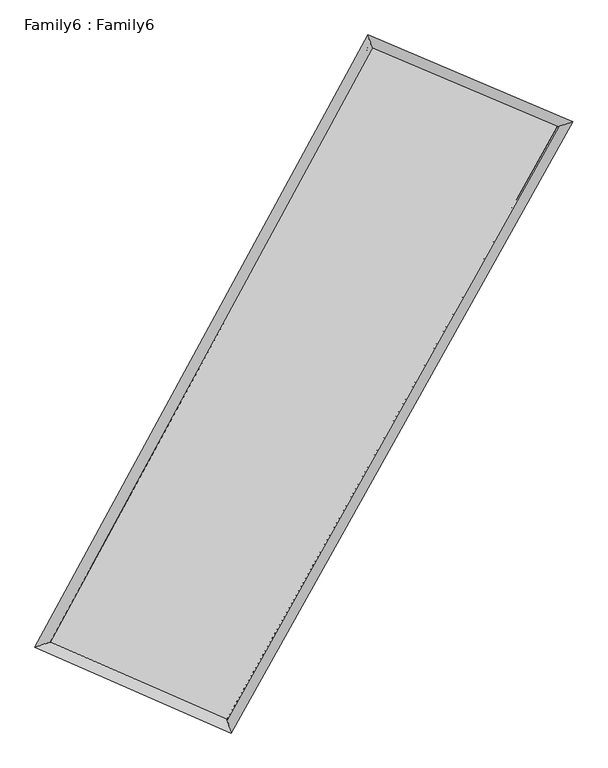
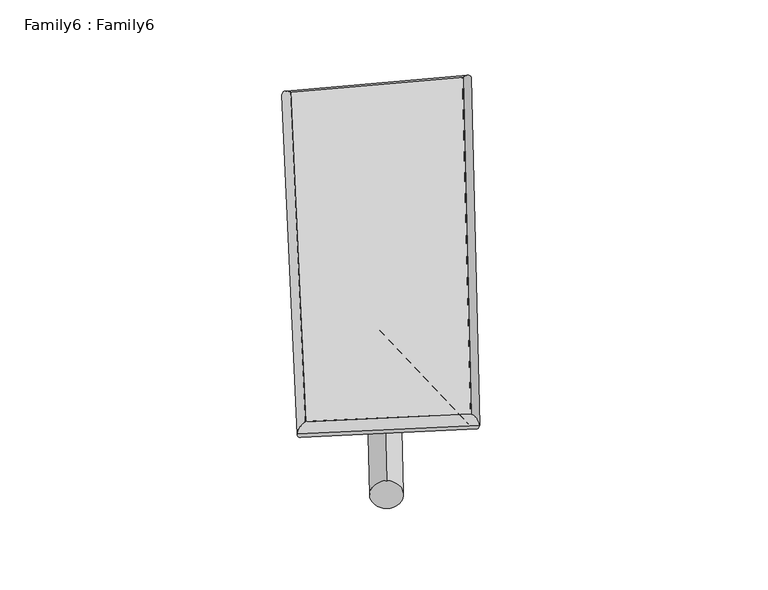
"""IFC4 building model written with IfcOpenShell, lengths in millimetres: plate geometry, Family6 : Family6."""

import ifcopenshell
import ifcopenshell.guid

model = None  # the IFC model being written
_history = None  # IfcOwnerHistory: only IFC2X3 demands one
_inside = {}  # id of a spatial element -> (the spatial element, [elements in it])
_under = {}  # id of a project, library or spatial element -> (it, [spatial elements below it])
_declared = {}  # id of a project -> (the project, [libraries it declares])
_typed = {}  # id of a type object -> (the type object, [elements of that type])
_made_of = {}  # id of a material, layer set ... -> (it, [elements and type objects made of it])


def new_model(schema):
    """Start an empty IFC model of exactly this schema.

    Asked for "IFC4X3", IfcOpenShell would pick the latest addendum, in which some entities
    have other attributes; the version numbers below select the first issue.
    IFC2X3 requires an IfcOwnerHistory on every rooted entity: one is made here for all.
    """
    global model, _history
    if schema == "IFC4X3":
        model = ifcopenshell.file(schema_version=(4, 3, 0, 0))
    else:
        model = ifcopenshell.file(schema=schema)
    _inside.clear()
    _under.clear()
    _declared.clear()
    _typed.clear()
    _made_of.clear()
    _history = None
    if model.schema == "IFC2X3":
        org = make("IfcOrganization", Name="unknown")
        user = make(
            "IfcPersonAndOrganization",
            ThePerson=make("IfcPerson", FamilyName="unknown"),
            TheOrganization=org,
        )
        app = make(
            "IfcApplication",
            ApplicationDeveloper=org,
            Version="unknown",
            ApplicationFullName="unknown",
            ApplicationIdentifier="unknown",
        )
        _history = make(
            "IfcOwnerHistory",
            OwningUser=user,
            OwningApplication=app,
            ChangeAction="ADDED",
            CreationDate=0,
        )
    return model


def make(cls, **values):
    """One entity of the class cls with the attributes given. An attribute that is None is left unset."""
    return model.create_entity(
        cls, **{name: value for name, value in values.items() if value is not None}
    )


def rooted(cls, **values):
    """An entity with a GlobalId (a new one), such as an element, a storey or a relation."""
    return make(cls, GlobalId=ifcopenshell.guid.new(), OwnerHistory=_history, **values)


def si_unit(unit_type, name, prefix=None):
    """IfcSIUnit, for example si_unit("LENGTHUNIT", "METRE", prefix="MILLI")."""
    return make("IfcSIUnit", UnitType=unit_type, Prefix=prefix, Name=name)


def assignment(units):
    """IfcUnitAssignment: the units of a project."""
    return None if units is None else make("IfcUnitAssignment", Units=units)


def point(xyz):
    """IfcCartesianPoint."""
    return None if xyz is None else make("IfcCartesianPoint", Coordinates=xyz)


def direction(xyz):
    """IfcDirection."""
    return None if xyz is None else make("IfcDirection", DirectionRatios=xyz)


def frame(location, z_axis=None, x_axis=None):
    """IfcAxis2Placement3D, a coordinate frame: its origin and axes. An axis left out is left unset."""
    return make(
        "IfcAxis2Placement3D",
        Location=point(location),
        Axis=direction(z_axis),
        RefDirection=direction(x_axis),
    )


def frame_2d(location, x_axis=None):
    """IfcAxis2Placement2D, a coordinate frame in the plane: its origin and x axis."""
    return make(
        "IfcAxis2Placement2D", Location=point(location), RefDirection=direction(x_axis)
    )


def origin():
    """The frame at (0, 0, 0) with its axes left unset."""
    return frame((0.0, 0.0, 0.0))


def origin_2d():
    """The frame at (0, 0) in the plane with its x axis left unset."""
    return frame_2d((0.0, 0.0))


def place(relative_to, where):
    """IfcLocalPlacement: puts the frame where relative to a parent placement (None: the world)."""
    return make(
        "IfcLocalPlacement", PlacementRelTo=relative_to, RelativePlacement=where
    )


def context(
    kind, dimensions, precision=None, world=None, true_north=None, identifier=None
):
    """IfcGeometricRepresentationContext, for example the 3D "Model" context."""
    return make(
        "IfcGeometricRepresentationContext",
        ContextIdentifier=identifier,
        ContextType=kind,
        CoordinateSpaceDimension=dimensions,
        Precision=precision,
        WorldCoordinateSystem=world,
        TrueNorth=true_north,
    )


def project(units=None, contexts=None):
    """IfcProject with its units and contexts."""
    return rooted(
        "IfcProject",
        Name="project",
        RepresentationContexts=contexts,
        UnitsInContext=assignment(units),
    )


def spatial(cls, under=None, at=None, **own):
    """A site, building, storey or space (cls), placed at a placement, below another one or the project."""
    s = rooted(cls, ObjectPlacement=at, **own)
    if under is not None:
        _under.setdefault(under.id(), (under, []))[1].append(s)
    return s


def circle_curve(where, radius):
    """IfcCircle in the frame where."""
    return make("IfcCircle", Position=where, Radius=radius)


def ellipse_curve(where, semi_axis1, semi_axis2):
    """IfcEllipse in the frame where."""
    return make(
        "IfcEllipse", Position=where, SemiAxis1=semi_axis1, SemiAxis2=semi_axis2
    )


def trimmed(basis, trim1, trim2, sense, master):
    """IfcTrimmedCurve: the piece of a basis curve between two trims."""
    return make(
        "IfcTrimmedCurve",
        BasisCurve=basis,
        Trim1=trim1,
        Trim2=trim2,
        SenseAgreement=sense,
        MasterRepresentation=master,
    )


def segment(curve, same_sense, transition):
    """IfcCompositeCurveSegment."""
    return make(
        "IfcCompositeCurveSegment",
        Transition=transition,
        SameSense=same_sense,
        ParentCurve=curve,
    )


def composite_curve(segments, self_intersect=None):
    """IfcCompositeCurve: segments joined end to end."""
    return make("IfcCompositeCurve", Segments=segments, SelfIntersect=self_intersect)


def outline(outer, holes=None, kind="AREA"):
    """IfcArbitraryClosedProfileDef: a profile drawn as a closed curve; with holes, ...WithVoids."""
    if holes is None:
        return make("IfcArbitraryClosedProfileDef", ProfileType=kind, OuterCurve=outer)
    return make(
        "IfcArbitraryProfileDefWithVoids",
        ProfileType=kind,
        OuterCurve=outer,
        InnerCurves=holes,
    )


def extrude(swept, where, along, depth):
    """IfcExtrudedAreaSolid: the profile swept, set in the frame where, extruded along a direction by depth."""
    return make(
        "IfcExtrudedAreaSolid",
        SweptArea=swept,
        Position=where,
        ExtrudedDirection=direction(along),
        Depth=depth,
    )


def shape(context_of_items, identifier, shape_type, items):
    """IfcShapeRepresentation: the items that make up one representation, for example the "Body"."""
    return make(
        "IfcShapeRepresentation",
        ContextOfItems=context_of_items,
        RepresentationIdentifier=identifier,
        RepresentationType=shape_type,
        Items=items,
    )


def source(mapping_origin, context_of_items, identifier, shape_type, items):
    """IfcRepresentationMap: a shape defined once, which mapped items show again and again."""
    return make(
        "IfcRepresentationMap",
        MappingOrigin=mapping_origin,
        MappedRepresentation=shape(context_of_items, identifier, shape_type, items),
    )


def transform(
    local_origin,
    x_axis=None,
    y_axis=None,
    z_axis=None,
    scale=None,
    scale2=None,
    scale3=None,
    uniform=True,
):
    """IfcCartesianTransformationOperator3D, or its non-uniform kind. x_axis, y_axis, z_axis: its Axis1, 2, 3."""
    if uniform:
        return make(
            "IfcCartesianTransformationOperator3D",
            Axis1=direction(x_axis),
            Axis2=direction(y_axis),
            LocalOrigin=point(local_origin),
            Scale=scale,
            Axis3=direction(z_axis),
        )
    return make(
        "IfcCartesianTransformationOperator3DnonUniform",
        Axis1=direction(x_axis),
        Axis2=direction(y_axis),
        LocalOrigin=point(local_origin),
        Scale=scale,
        Axis3=direction(z_axis),
        Scale2=scale2,
        Scale3=scale3,
    )


def mapped(mapping_source, mapping_target):
    """IfcMappedItem: shows the shape of a source again, moved by a transform."""
    return make(
        "IfcMappedItem", MappingSource=mapping_source, MappingTarget=mapping_target
    )


def made_of(thing, what):
    """Note that an element or type object is made of a material, layer set ...; save() writes the relation."""
    if what is not None:
        _made_of.setdefault(what.id(), (what, []))[1].append(thing)
    return thing


def element(
    cls,
    number,
    at=None,
    inside=None,
    cuts=None,
    type_object=None,
    material=None,
    context=None,
    identifier="Body",
    shape_type=None,
    held_by="IfcProductDefinitionShape",
    body=None,
    shapes=None,
    **own,
):
    """One element of the class cls, such as IfcWall. Its Tag is "e" and its number.

    at: its placement. inside: the storey or other place that contains it. cuts: it is an
    opening in that element (IfcRelVoidsElement). A single representation is given by context,
    identifier, shape_type and body (its items); several are given by shapes. held_by: the class
    of the entity that holds the representations. save() writes the other relations.
    """
    e = rooted(cls, Tag="e%d" % number, ObjectPlacement=at, **own)
    if body is not None:
        shapes = [shape(context, identifier, shape_type, body)]
    if shapes is not None:
        e.Representation = make(held_by, Representations=shapes)
    if inside is not None:
        _inside.setdefault(inside.id(), (inside, []))[1].append(e)
    if cuts is not None:
        rooted(
            "IfcRelVoidsElement", RelatingBuildingElement=cuts, RelatedOpeningElement=e
        )
    if type_object is not None:
        _typed.setdefault(type_object.id(), (type_object, []))[1].append(e)
    return made_of(e, material)


def aggregate(whole, parts):
    """IfcRelAggregates: a whole, such as a stair, and the parts it consists of."""
    return rooted("IfcRelAggregates", RelatingObject=whole, RelatedObjects=parts)


def save(model, path):
    """Write the relations noted so far, then the file.

    IfcRelAggregates (storeys below a building ...), IfcRelContainedInSpatialStructure (elements
    in a storey), IfcRelDefinesByType, IfcRelAssociatesMaterial and IfcRelDeclares: one each for
    every whole, place, type object, material and project.
    """
    for whole, parts in _under.values():
        aggregate(whole, parts)
    for where, things in _inside.values():
        rooted(
            "IfcRelContainedInSpatialStructure",
            RelatedElements=things,
            RelatingStructure=where,
        )
    for kind, things in _typed.values():
        rooted("IfcRelDefinesByType", RelatedObjects=things, RelatingType=kind)
    for what, things in _made_of.values():
        rooted("IfcRelAssociatesMaterial", RelatedObjects=things, RelatingMaterial=what)
    for by, libraries in _declared.values():
        rooted("IfcRelDeclares", RelatingContext=by, RelatedDefinitions=libraries)
    model.write(path)


def plane_surface(at):
    """IfcPlane: the flat surface through the origin of the frame at, square to its z axis."""
    return make("IfcPlane", Position=at)


def cylinder_surface(at, radius):
    """IfcCylindricalSurface: all points at the distance radius from the z axis of the frame at."""
    return make("IfcCylindricalSurface", Position=at, Radius=radius)


def spline_surface(u_degree, v_degree, points, u_multiplicities, v_multiplicities, u_knots, v_knots, weights=None):
    """IfcBSplineSurfaceWithKnots; with weights, IfcRationalBSplineSurfaceWithKnots. points: one row for each step in u."""
    own = dict(
        UDegree=u_degree,
        VDegree=v_degree,
        ControlPointsList=[[point(p) for p in row] for row in points],
        SurfaceForm="UNSPECIFIED",
        UClosed=False,
        VClosed=False,
        SelfIntersect=False,
        UMultiplicities=u_multiplicities,
        VMultiplicities=v_multiplicities,
        UKnots=u_knots,
        VKnots=v_knots,
        KnotSpec="UNSPECIFIED",
    )
    if weights is None:
        return make("IfcBSplineSurfaceWithKnots", **own)
    return make("IfcRationalBSplineSurfaceWithKnots", WeightsData=weights, **own)


def advanced_brep(points, edges, surfaces, faces):
    """IfcAdvancedBrep: a solid bounded by faces that lie on surfaces and meet in shared edges.

    An edge is (start, end): straight between two places in points (the first is 0);
    or (start, end, curve); or (start, end, curve, False) where it runs against its curve.
    A face is (place in surfaces, loops), or (place, loops, False) where it looks against
    its surface's normal. A loop lists edges by number (the first is 1), with a minus sign
    where the edge is run from its end to its start. The first loop is the outer one.
    """
    corners = [point(p) for p in points]
    vertices = [make("IfcVertexPoint", VertexGeometry=c) for c in corners]
    made = []
    for start, end, *more in edges:
        made.append(
            make(
                "IfcEdgeCurve",
                EdgeStart=vertices[start],
                EdgeEnd=vertices[end],
                EdgeGeometry=more[0] if more else make("IfcPolyline", Points=[corners[start], corners[end]]),
                SameSense=more[1] if len(more) > 1 else True,
            )
        )
    hull = []
    for where, loops, *sense in faces:
        bounds = []
        for j, loop in enumerate(loops):
            ring = [make("IfcOrientedEdge", EdgeElement=made[abs(k) - 1], Orientation=k > 0) for k in loop]
            bounds.append(
                make(
                    "IfcFaceOuterBound" if j == 0 else "IfcFaceBound",
                    Bound=make("IfcEdgeLoop", EdgeList=ring),
                    Orientation=True,
                )
            )
        hull.append(make("IfcAdvancedFace", Bounds=bounds, FaceSurface=surfaces[where], SameSense=sense[0] if sense else True))
    return make("IfcAdvancedBrep", Outer=make("IfcClosedShell", CfsFaces=hull))


def family6_family6_35463aef(model_context):
    return source(origin(), model_context, "Body", "SolidModel", [
        extrude(outline(composite_curve([segment(trimmed(circle_curve(origin_2d(), 76.2), [point((-75.4341514, -10.7763073))], [point((75.4341514, 10.7763073))], False, "CARTESIAN"), True, "CONTINUOUS"), segment(trimmed(circle_curve(origin_2d(), 76.2), [point((75.4341514, 10.7763073))], [point((-75.4341514, -10.7763073))], False, "CARTESIAN"), True, "CONTINUOUS")], self_intersect=False)), frame((9144.0, 9144.0, 0.0), z_axis=(0.6813209860275675, 0.6818787008985358, 0.2661637677433735), x_axis=(-0.6736456853963163, 0.72635142711245, -0.13643714625656192)), (0.0, 0.0, 1.0), 5834.4123145),
        extrude(outline(composite_curve([segment(trimmed(circle_curve(origin_2d(), 76.2), [point((-53.8815367, 53.8815367))], [point((53.8815367, -53.8815367))], False, "CARTESIAN"), True, "CONTINUOUS"), segment(trimmed(circle_curve(origin_2d(), 76.2), [point((53.8815367, -53.8815367))], [point((-53.8815367, 53.8815367))], False, "CARTESIAN"), True, "CONTINUOUS")], self_intersect=False)), frame((9144.0, 9144.0, 0.0), z_axis=(-0.674424393715421, -0.6879433776756292, 0.26811498703696834), x_axis=(0.6387665694742795, -0.36151467985887514, 0.6791792149120846)), (0.0, 0.0, 1.0), 5795.1043367),
        extrude(outline(composite_curve([segment(trimmed(circle_curve(origin_2d(), 76.2), [point((-53.8815367, -53.8815368))], [point((53.8815367, 53.8815368))], False, "CARTESIAN"), True, "CONTINUOUS"), segment(trimmed(circle_curve(origin_2d(), 76.2), [point((53.8815367, 53.8815368))], [point((-53.8815367, -53.8815368))], False, "CARTESIAN"), True, "CONTINUOUS")], self_intersect=False)), frame((9144.0, 9144.0, 0.0), z_axis=(0.19760012295875948, 0.9421823794682773, 0.2706410080275686), x_axis=(-0.8518042161422569, 0.3016690429244882, -0.42828187669255724)), (0.0, 0.0, 1.0), 5518.48865),
        extrude(outline(composite_curve([segment(trimmed(circle_curve(origin_2d(), 76.2), [point((-75.4341515, 10.7763074))], [point((75.4341515, -10.7763074))], False, "CARTESIAN"), True, "CONTINUOUS"), segment(trimmed(circle_curve(origin_2d(), 76.2), [point((75.4341515, -10.7763074))], [point((-75.4341515, 10.7763074))], False, "CARTESIAN"), True, "CONTINUOUS")], self_intersect=False)), frame((9144.0, 9144.0, 0.0), z_axis=(-0.20859675161265895, -0.9399283900912945, 0.2702258624133419), x_axis=(0.8967179618814537, -0.07352881051487441, 0.4364520716681725)), (0.0, 0.0, 1.0), 5523.2858957),
        advanced_brep(
        [(5022.487447, 5084.3071813, 1550.4131544), (5022.4192364, 5084.1867072, 1558.9247035), (5448.7930954, 5230.285516, 1557.0954938), (10302.2324814, 14149.2630704, 1498.6219504), (10166.6755902, 14537.5824642, 1488.4367116), (5448.861306, 5230.4059901, 1548.5839447), (12903.1054023, 13048.324883, 1552.1602348), (13335.1096997, 13196.398096, 1553.6580936), (7926.2766575, 4147.4866583, 1493.556974), (8057.4443504, 3757.5269017, 1491.5124151)],
        [
            (0, 1, ellipse_curve(frame((5235.6402712, 5157.2963486, 1553.7543241), z_axis=(-0.32409224575388296, 0.9459639245045239, 0.010792116483995891), x_axis=(-0.9458086428107874, -0.32424111333204925, 0.017711905871744947)), 225.4697535, 152.4)),
            (1, 2, ellipse_curve(frame((5235.6402712, 5157.2963486, 1553.7543241), z_axis=(-0.32409224575388296, 0.9459639245045239, 0.010792116483995891), x_axis=(-0.9458086428107874, -0.32424111333204925, 0.017711905871744947)), 225.4697535, 152.4)),
            (2, 3),
            (3, 4, ellipse_curve(frame((10234.4540358, 14343.4227673, 1493.529331), z_axis=(-0.944016948030937, -0.3297767413643568, -0.008905205526054737), x_axis=(0.32957936195453597, -0.9439486605673916, 0.018394846742181985)), 205.7164281, 152.4)),
            (4, 0),
            (2, 5, ellipse_curve(frame((5235.6402712, 5157.2963486, 1553.7543241), z_axis=(-0.32409224575388296, 0.9459639245045239, 0.010792116483995891), x_axis=(-0.9458086428107874, -0.32424111333204925, 0.017711905871744947)), 225.4697535, 152.4)),
            (5, 0, ellipse_curve(frame((5235.6402712, 5157.2963486, 1553.7543241), z_axis=(-0.32409224575388296, 0.9459639245045239, 0.010792116483995891), x_axis=(-0.9458086428107874, -0.32424111333204925, 0.017711905871744947)), 225.4697535, 152.4)),
            (4, 3, ellipse_curve(frame((10234.4540358, 14343.4227673, 1493.529331), z_axis=(-0.944016948030937, -0.3297767413643568, -0.008905205526054737), x_axis=(0.32957936195453597, -0.9439486605673916, 0.018394846742181985)), 205.7164281, 152.4)),
            (3, 6),
            (6, 7, ellipse_curve(frame((13119.107551, 13122.3614895, 1552.9091642), z_axis=(-0.32419438537975426, 0.945938738884728, -0.009894582629595245), x_axis=(-0.9458017613123967, -0.32432089588942825, -0.016582665281754283)), 228.3646221, 152.4)),
            (7, 4),
            (7, 6, ellipse_curve(frame((13119.107551, 13122.3614895, 1552.9091642), z_axis=(-0.32419438537975426, 0.945938738884728, -0.009894582629595245), x_axis=(-0.9458017613123967, -0.32432089588942825, -0.016582665281754283)), 228.3646221, 152.4)),
            (6, 8),
            (8, 9, ellipse_curve(frame((7991.8605039, 3952.50678, 1492.5346945), z_axis=(0.9477569076817306, 0.3188412014225191, -0.009855567817644508), x_axis=(-0.3186151024313881, 0.9476851777642631, 0.01942216127399841)), 205.7345626, 152.4)),
            (9, 7),
            (9, 8, ellipse_curve(frame((7991.8605039, 3952.50678, 1492.5346945), z_axis=(0.9477569076817306, 0.3188412014225191, -0.009855567817644508), x_axis=(-0.3186151024313881, 0.9476851777642631, 0.01942216127399841)), 205.7345626, 152.4)),
            (8, 5),
            (1, 9),
        ],
        [
            cylinder_surface(frame((5235.6402712, 5157.2963486, 1553.7543241), z_axis=(-0.4779743368726878, -0.87835492382281, 0.005758566430960975), x_axis=(-0.8780978787515672, 0.47764961123784644, -0.02819510979464423)), 152.4),
            cylinder_surface(frame((10234.4540358, 14343.4227673, 1493.529331), z_axis=(-0.9207295410836603, 0.38974080734084926, -0.018952975206430193), x_axis=(0.39004281471038793, 0.9206536339449835, -0.01623234415279031)), 152.4),
            cylinder_surface(frame((13119.107551, 13122.3614895, 1552.9091642), z_axis=(0.4880248263457842, 0.8728108302797812, 0.005746600428612318), x_axis=(0.8728284633561989, -0.4880248263457842, -0.0014974730127084585)), 152.4),
            cylinder_surface(frame((7991.8605039, 3952.50678, 1492.5346945), z_axis=(0.9160965903344238, -0.40044101075244315, -0.02034782753034714), x_axis=(-0.40027735820726507, -0.9163188186082084, 0.0117413445171451)), 152.4),
        ],
        [
            (0, [[1, 2, 3, 4, 5]]),
            (0, [[6, 7, -5, 8, -3]]),
            (1, [[-4, 9, 10, 11]]),
            (1, [[-8, -11, 12, -9]]),
            (2, [[-10, 13, 14, 15]]),
            (2, [[-12, -15, 16, -13]]),
            (3, [[-14, 17, -6, -2, 18]]),
            (3, [[-16, -18, -1, -7, -17]]),
        ],
    ),
        extrude(outline(composite_curve([segment(trimmed(circle_curve(origin_2d(), 304.8), [point((0.0, 304.8))], [point((0.0, -304.8))], False, "CARTESIAN"), True, "CONTINUOUS"), segment(trimmed(circle_curve(origin_2d(), 304.8), [point((0.0, -304.8))], [point((0.0, 304.8))], False, "CARTESIAN"), True, "CONTINUOUS")], self_intersect=False)), frame((11710.1044182, 13737.6268189, -0.0529151), z_axis=(-0.48768777611954994, -0.8730181171788101, 1.0056501228191639e-05), x_axis=(-0.8730181172328049, 0.48768777611954994, -2.6184651790274667e-06)), (0.0, 0.0, 1.0), 10523.5543881),
        advanced_brep(
        [(5235.6402712, 5157.2963486, 1553.7543241), (7991.8605039, 3952.50678, 1492.5346945), (7991.8478008, 3952.5108291, 1644.9346939), (5235.6275681, 5157.3003977, 1706.1543235), (13119.107551, 13122.3614895, 1552.9091642), (13119.0948479, 13122.3655386, 1705.3091636), (10234.4540358, 14343.4227673, 1493.529331), (10234.4413326, 14343.4268163, 1645.9293304)],
        [
            (0, 1),
            (1, 2),
            (2, 3),
            (3, 0),
            (1, 4),
            (4, 5),
            (5, 2),
            (4, 6),
            (6, 7),
            (7, 5),
            (6, 0),
            (3, 7),
        ],
        [
            plane_surface(frame((6613.7503876, 4554.9015643, 1523.1445093), z_axis=(-0.40052410319762466, -0.9162862231180832, -9.040874373807822e-06), x_axis=(0.9160965903344237, -0.4004410107524436, -0.020347827530347112))),
            plane_surface(frame((10555.4840275, 8537.4341348, 1522.7219294), z_axis=(0.8728249986201129, -0.48803331283419954, 8.571975300821714e-05), x_axis=(0.4880248263457847, 0.8728108302797809, 0.0057466004286123315))),
            plane_surface(frame((11676.7807934, 13732.8921284, 1523.2192476), z_axis=(0.389810686518935, 0.9208950149779449, 8.025419790276371e-06), x_axis=(-0.9207295410836601, 0.3897408073408494, -0.01895297520643019))),
            plane_surface(frame((7735.0471535, 9750.359558, 1523.6418276), z_axis=(-0.8783697210292873, 0.4779818258025785, -8.591487414486053e-05), x_axis=(-0.4779743368726881, -0.87835492382281, 0.005758566430960971))),
            spline_surface(1, 1, [[(7991.8478008, 3952.5108291, 1644.9346939), (5235.6275681, 5157.3003977, 1706.1543235)], [(13119.0948479, 13122.3655386, 1705.3091636), (10234.4413326, 14343.4268163, 1645.9293304)]], [2, 2], [2, 2], [0.0, 1.0], [0.0, 1.0]),
            spline_surface(1, 1, [[(10234.4540358, 14343.4227673, 1493.529331), (5235.6402712, 5157.2963486, 1553.7543241)], [(13119.107551, 13122.3614895, 1552.9091642), (7991.8605039, 3952.50678, 1492.5346945)]], [2, 2], [2, 2], [0.0, 1.0], [0.0, 1.0]),
        ],
        [
            (0, [[1, 2, 3, 4]]),
            (1, [[5, 6, 7, -2]]),
            (2, [[8, 9, 10, -6]]),
            (3, [[11, -4, 12, -9]]),
            (4, [[-3, -7, -10, -12]]),
            (5, [[-11, -8, -5, -1]]),
        ],
    ),
    ])


if __name__ == "__main__":
    model = new_model("IFC4")
    model_context = context("Model", 3, world=origin())
    ifc_project = project(units=[si_unit("LENGTHUNIT", "METRE", prefix="MILLI")], contexts=[model_context])
    site = spatial("IfcSite", under=ifc_project)
    building = spatial("IfcBuilding", under=site)
    placement = place(None, origin())
    family6_family6_shape = family6_family6_35463aef(model_context)
    element("IfcPlate", 1, ObjectType="Family6 : Family6", at=placement, inside=building, context=model_context, shape_type="MappedRepresentation", body=[
        mapped(family6_family6_shape, transform((0.0, 0.0, 0.0), x_axis=(1.0, 0.0, 0.0), y_axis=(0.0, 1.0, 0.0), z_axis=(0.0, 0.0, 1.0))),
    ])
    save(model, "model.ifc")
